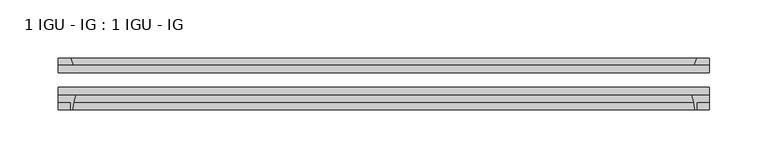
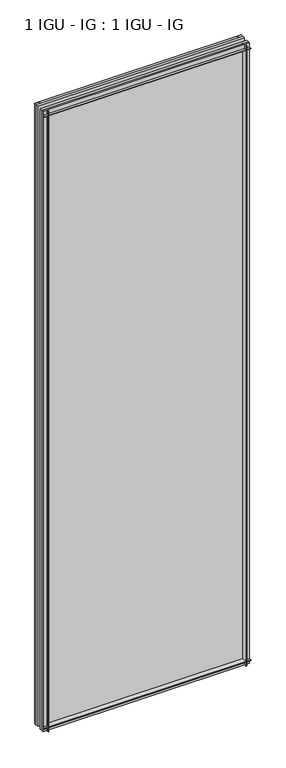
"""IFC4 building model written with IfcOpenShell, lengths in millimetres: plate geometry, 1 IGU - IG : 1 IGU - IG."""

from ifc_helpers import new_model, si_unit, point, frame, frame_2d, origin, place, context, project, spatial, polyline, circle_curve, trimmed, segment, composite_curve, outline, extrude, source, transform, mapped, element, save


def plate_1_igu_ig_1_igu_ig_52077260(model_context):
    return source(origin(), model_context, "Body", "SweptSolid", [
        extrude(outline(polyline([(280.9875, -31.75), (280.9875, -38.1), (-280.9875, -38.1), (-280.9875, -31.75), (280.9875, -31.75)])), frame((0.0, 0.0, -11.1125), z_axis=(0.0, 0.0, 1.0), x_axis=(1.0, 0.0, 0.0)), (0.0, 0.0, 1.0), 1781.175),
        extrude(outline(polyline([(-280.9875, -12.7), (280.9875, -12.7), (280.9875, -19.05), (-280.9875, -19.05), (-280.9875, -12.7)])), frame((0.0, 0.0, -11.1125), z_axis=(0.0, 0.0, 1.0), x_axis=(1.0, 0.0, 0.0)), (0.0, 0.0, 1.0), 1781.175),
        extrude(outline(composite_curve([segment(polyline([(-280.9875, -38.1), (-265.6938207, -38.1)]), True, "CONTINUOUS"), segment(trimmed(circle_curve(frame_2d((-222.4348044, -53.3794536)), 45.8781451), [point((-265.6938207, -38.1))], [point((-268.1950572, -50.0925922))], True, "CARTESIAN"), True, "CONTINUOUS"), segment(trimmed(circle_curve(frame_2d((-268.9550991, -50.038)), 0.762), [point((-268.1950572, -50.0925922))], [point((-268.9550991, -50.8))], False, "CARTESIAN"), True, "CONTINUOUS"), segment(polyline([(-268.9550991, -50.8), (-269.875, -50.8), (-269.875, -44.45), (-280.9875, -44.45), (-280.9875, -38.1)]), True, "CONTINUOUS")], self_intersect=False)), frame((0.0, 0.0, -11.1125), z_axis=(0.0, 0.0, 1.0), x_axis=(1.0, 0.0, 0.0)), (0.0, 0.0, 1.0), 1781.175),
        extrude(outline(polyline([(-267.7697229, -12.7), (-280.9875, -12.7), (-280.9875, -6.35), (-269.875, -6.35), (-267.7697229, -12.7)])), frame((0.0, 0.0, -11.1125), z_axis=(0.0, 0.0, 1.0), x_axis=(1.0, 0.0, 0.0)), (0.0, 0.0, 1.0), 1781.175),
        extrude(outline(polyline([(280.9875, -12.7), (267.7697229, -12.7), (269.875, -6.35), (280.9875, -6.35), (280.9875, -12.7)])), frame((0.0, 0.0, -11.1125), z_axis=(0.0, 0.0, 1.0), x_axis=(1.0, 0.0, 0.0)), (0.0, 0.0, 1.0), 1781.175),
        extrude(outline(composite_curve([segment(polyline([(265.6938207, -38.1), (280.9875, -38.1), (280.9875, -44.45), (269.875, -44.45), (269.875, -50.8), (268.9550991, -50.8)]), True, "CONTINUOUS"), segment(trimmed(circle_curve(frame_2d((268.9550991, -50.038)), 0.762), [point((268.9550991, -50.8))], [point((268.1950572, -50.0925922))], False, "CARTESIAN"), True, "CONTINUOUS"), segment(trimmed(circle_curve(frame_2d((222.4348044, -53.3794536)), 45.8781451), [point((268.1950572, -50.0925922))], [point((265.6938207, -38.1))], True, "CARTESIAN"), True, "CONTINUOUS")], self_intersect=False)), frame((0.0, 0.0, -11.1125), z_axis=(0.0, 0.0, 1.0), x_axis=(1.0, 0.0, 0.0)), (0.0, 0.0, 1.0), 1781.175),
        extrude(outline(polyline([(-12.7, -11.1125), (-12.7, 2.1052771), (-6.35, 0.0), (-6.35, -11.1125), (-12.7, -11.1125)])), frame((-280.9875, 0.0, 0.0), z_axis=(1.0, 0.0, 0.0), x_axis=(0.0, 1.0, 0.0)), (0.0, 0.0, 1.0), 561.975),
        extrude(outline(composite_curve([segment(polyline([(-38.1, 4.1811793), (-38.1, -11.1125), (-44.45, -11.1125), (-44.45, 0.0), (-50.8, 0.0), (-50.8, 0.9199009)]), True, "CONTINUOUS"), segment(trimmed(circle_curve(frame_2d((-50.038, 0.9199009)), 0.762), [point((-50.8, 0.9199009))], [point((-50.0925922, 1.6799428))], False, "CARTESIAN"), True, "CONTINUOUS"), segment(trimmed(circle_curve(frame_2d((-53.3794536, 47.4401956)), 45.8781451), [point((-50.0925922, 1.6799428))], [point((-38.1, 4.1811793))], True, "CARTESIAN"), True, "CONTINUOUS")], self_intersect=False)), frame((-280.9875, 0.0, 0.0), z_axis=(1.0, 0.0, 0.0), x_axis=(0.0, 1.0, 0.0)), (0.0, 0.0, 1.0), 561.975),
        extrude(outline(polyline([(-6.35, 1758.95), (-12.7, 1756.8447229), (-12.7, 1770.0625), (-6.35, 1770.0625), (-6.35, 1758.95)])), frame((-280.9875, 0.0, 0.0), z_axis=(1.0, 0.0, 0.0), x_axis=(0.0, 1.0, 0.0)), (0.0, 0.0, 1.0), 561.975),
        extrude(outline(composite_curve([segment(polyline([(-38.1, 1770.0625), (-38.1, 1754.7688207)]), True, "CONTINUOUS"), segment(trimmed(circle_curve(frame_2d((-53.3794536, 1711.5098044)), 45.8781451), [point((-38.1, 1754.7688207))], [point((-50.0925922, 1757.2700572))], True, "CARTESIAN"), True, "CONTINUOUS"), segment(trimmed(circle_curve(frame_2d((-50.038, 1758.0300991)), 0.762), [point((-50.0925922, 1757.2700572))], [point((-50.8, 1758.0300991))], False, "CARTESIAN"), True, "CONTINUOUS"), segment(polyline([(-50.8, 1758.0300991), (-50.8, 1758.95), (-44.45, 1758.95), (-44.45, 1770.0625), (-38.1, 1770.0625)]), True, "CONTINUOUS")], self_intersect=False)), frame((-280.9875, 0.0, 0.0), z_axis=(1.0, 0.0, 0.0), x_axis=(0.0, 1.0, 0.0)), (0.0, 0.0, 1.0), 561.975),
    ])


if __name__ == "__main__":
    model = new_model("IFC4")
    model_context = context("Model", 3, world=origin())
    ifc_project = project(units=[si_unit("LENGTHUNIT", "METRE", prefix="MILLI")], contexts=[model_context])
    site = spatial("IfcSite", under=ifc_project)
    building = spatial("IfcBuilding", under=site)
    placement = place(None, origin())
    plate_1_igu_ig_1_igu_ig_shape = plate_1_igu_ig_1_igu_ig_52077260(model_context)
    element("IfcPlate", 1, ObjectType="1 IGU - IG : 1 IGU - IG", at=placement, inside=building, context=model_context, shape_type="MappedRepresentation", body=[
        mapped(plate_1_igu_ig_1_igu_ig_shape, transform((0.0, 0.0, 0.0), x_axis=(1.0, 0.0, 0.0), y_axis=(0.0, 1.0, 0.0), z_axis=(0.0, 0.0, 1.0))),
    ])
    save(model, "model.ifc")
